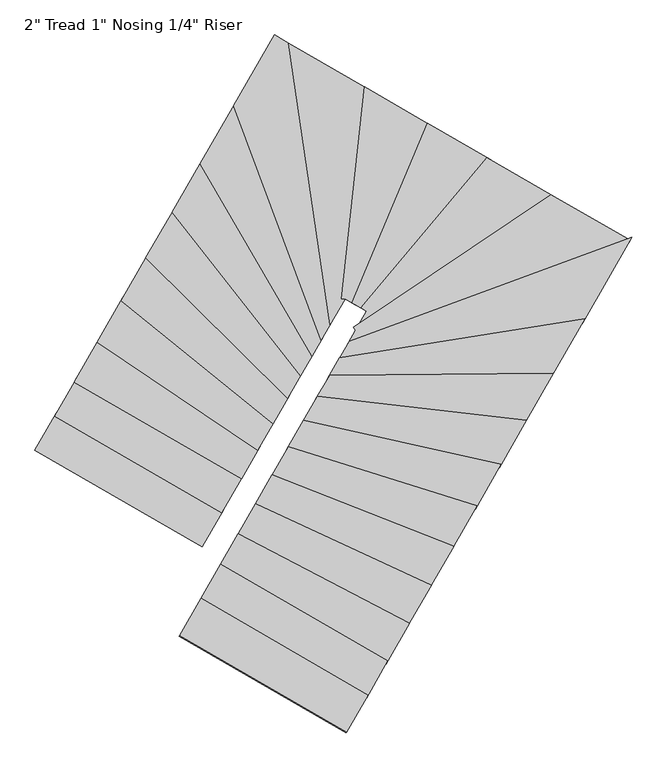
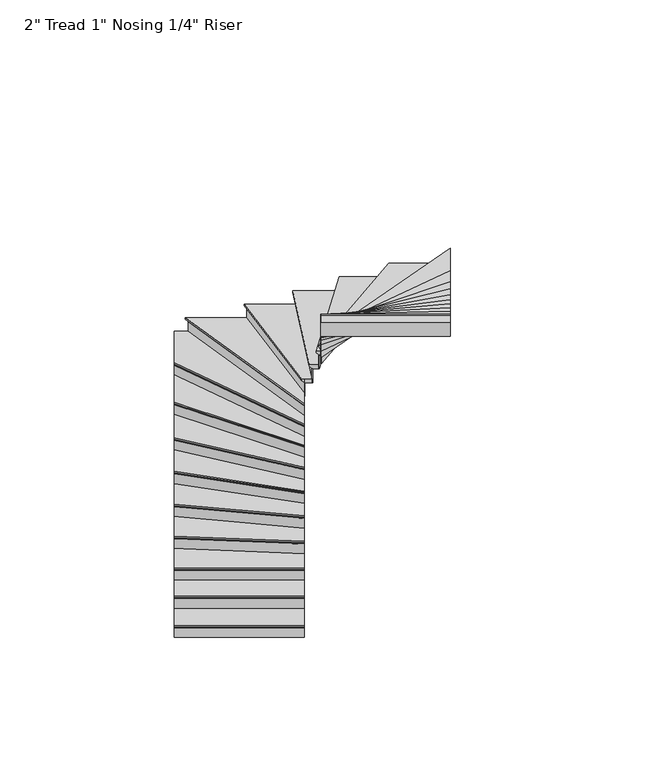
"""IFC4 building model written with IfcOpenShell, lengths in millimetres: stair flight geometry."""

from ifc_helpers import new_model, si_unit, origin, place, context, project, spatial, faceted_brep, source, transform, mapped, element, save


def stair_flight_432bfe28(model_context):
    return source(origin(), model_context, "Body", "Brep", [
        faceted_brep([(55483.3110526, -118094.4424169, 16920.7961538), (55483.3110526, -118094.4424169, 16939.8461538), (54295.3554538, -117408.8419097, 16939.8461538), (54295.3554538, -117408.8419097, 16920.7961538), (55496.0073583, -118072.4432391, 16895.3961538), (54308.0517595, -117386.8427319, 16895.3961538), (55635.6667208, -117830.4522838, 16939.8461538), (54447.7111221, -117144.8517766, 16939.8461538), (54308.0517595, -117386.8427319, 16889.0461538), (54447.7111221, -117144.8517766, 16889.0461538), (55635.6667208, -117830.4522838, 16889.0461538), (55496.0073583, -118072.4432391, 16889.0461538)], [[[0, 1, 2, 3]], [[4, 0, 3, 5]], [[2, 1, 6, 7]], [[8, 9, 10, 11]], [[2, 7, 9, 8, 5, 3]], [[8, 11, 4, 5]], [[6, 1, 0, 4, 11, 10]], [[7, 6, 10, 9]]]),
        faceted_brep([(55496.0073583, -118072.4432391, 16889.0461538), (55496.0073583, -118072.4432391, 16764.0), (55499.1814347, -118066.9434447, 16764.0), (55499.1814347, -118066.9434447, 16889.0461538), (54308.0517595, -117386.8427319, 16889.0461538), (54311.2258359, -117381.3429375, 16889.0461538), (54311.2258359, -117381.3429375, 16764.0), (54308.0517595, -117386.8427319, 16764.0)], [[[0, 1, 2, 3]], [[4, 5, 6, 7]], [[1, 0, 4, 7]], [[2, 1, 7, 6]], [[3, 2, 6, 5]], [[0, 3, 5, 4]]]),
        faceted_brep([(55635.6667208, -117830.4522838, 17064.8923077), (55635.6667208, -117830.4522838, 16889.0461538), (55638.8407972, -117824.9524894, 16889.0461538), (55638.8407972, -117824.9524894, 17064.8923077), (54447.7111221, -117144.8517766, 17064.8923077), (54450.8851985, -117139.3519822, 17064.8923077), (54450.8851985, -117139.3519822, 16889.0461538), (54447.7111221, -117144.8517766, 16889.0461538)], [[[0, 1, 2, 3]], [[4, 5, 6, 7]], [[1, 0, 4, 7]], [[2, 1, 7, 6]], [[3, 2, 6, 5]], [[0, 3, 5, 4]]]),
        faceted_brep([(54435.0148164, -117166.8509544, 17115.6923077), (55622.9704151, -117852.4514616, 17115.6923077), (55775.3260834, -117588.4613285, 17115.6923077), (54587.3704847, -116902.8608213, 17115.6923077), (54447.7111221, -117144.8517766, 17064.8923077), (54587.3704847, -116902.8608213, 17064.8923077), (55775.3260834, -117588.4613285, 17064.8923077), (55635.6667208, -117830.4522838, 17064.8923077), (54447.7111221, -117144.8517766, 17071.2423077), (54435.0148164, -117166.8509544, 17096.6423077), (55635.6667208, -117830.4522838, 17071.2423077), (55622.9704151, -117852.4514616, 17096.6423077)], [[[0, 1, 2, 3]], [[4, 5, 6, 7]], [[0, 3, 5, 4, 8, 9]], [[4, 7, 10, 8]], [[2, 1, 11, 10, 7, 6]], [[3, 2, 6, 5]], [[11, 1, 0, 9]], [[10, 11, 9, 8]]]),
        faceted_brep([(55775.3260834, -117588.4613285, 17240.7384615), (55775.3260834, -117588.4613285, 17064.8923077), (55778.5001598, -117582.9615341, 17064.8923077), (55778.5001598, -117582.9615341, 17240.7384615), (54587.3704847, -116902.8608213, 17240.7384615), (54590.5445611, -116897.3610269, 17240.7384615), (54590.5445611, -116897.3610269, 17064.8923077), (54587.3704847, -116902.8608213, 17064.8923077)], [[[0, 1, 2, 3]], [[4, 5, 6, 7]], [[1, 0, 4, 7]], [[2, 1, 7, 6]], [[3, 2, 6, 5]], [[0, 3, 5, 4]]]),
        faceted_brep([(54574.674179, -116924.8599991, 17291.5384615), (55762.6297777, -117610.4605063, 17291.5384615), (55890.6801358, -117388.5847372, 17291.5384615), (54751.3990709, -116618.6447577, 17291.5384615), (54587.3704847, -116902.8608213, 17240.7384615), (54751.3990709, -116618.6447577, 17240.7384615), (55890.6801358, -117388.5847372, 17240.7384615), (55775.3260834, -117588.4613285, 17240.7384615), (54587.3704847, -116902.8608213, 17247.0884615), (54574.674179, -116924.8599991, 17272.4884615), (55775.3260834, -117588.4613285, 17247.0884615), (55762.6297777, -117610.4605063, 17272.4884615)], [[[0, 1, 2, 3]], [[4, 5, 6, 7]], [[0, 3, 5, 4, 8, 9]], [[4, 7, 10, 8]], [[2, 1, 11, 10, 7, 6]], [[3, 2, 6, 5]], [[11, 1, 0, 9]], [[10, 11, 9, 8]]]),
        faceted_brep([(55890.6801358, -117388.5847372, 17416.5846154), (55890.6801358, -117388.5847372, 17240.7384615), (55893.8622014, -117383.0710997, 17240.7384615), (55893.8622014, -117383.0710997, 17416.5846154), (54751.3990709, -116618.6447577, 17416.5846154), (54754.5811365, -116613.1311202, 17416.5846154), (54754.5811365, -116613.1311202, 17240.7384615), (54751.3990709, -116618.6447577, 17240.7384615)], [[[0, 1, 2, 3]], [[4, 5, 6, 7]], [[1, 0, 4, 7]], [[2, 1, 7, 6]], [[3, 2, 6, 5]], [[0, 3, 5, 4]]]),
        faceted_brep([(54738.6708085, -116640.6993076, 17467.3846154), (55877.9518734, -117410.6392871, 17467.3846154), (56000.9924459, -117197.4440874, 17467.3846154), (54920.6524828, -116325.3755198, 17467.3846154), (54751.3990709, -116618.6447577, 17416.5846154), (54920.6524828, -116325.3755198, 17416.5846154), (56000.9924459, -117197.4440874, 17416.5846154), (55890.6801358, -117388.5847372, 17416.5846154), (54751.3990709, -116618.6447577, 17422.9346154), (54738.6708085, -116640.6993076, 17448.3346154), (55890.6801358, -117388.5847372, 17422.9346154), (55877.9518734, -117410.6392871, 17448.3346154)], [[[0, 1, 2, 3]], [[4, 5, 6, 7]], [[0, 3, 5, 4, 8, 9]], [[4, 7, 10, 8]], [[2, 1, 11, 10, 7, 6]], [[3, 2, 6, 5]], [[11, 1, 0, 9]], [[10, 11, 9, 8]]]),
        faceted_brep([(56000.9924459, -117197.4440874, 17592.4307692), (56000.9924459, -117197.4440874, 17416.5846154), (56004.2053861, -117191.8769528, 17416.5846154), (56004.2053861, -117191.8769528, 17592.4307692), (54920.6524828, -116325.3755198, 17592.4307692), (54923.865423, -116319.8083852, 17592.4307692), (54923.865423, -116319.8083852, 17416.5846154), (54920.6524828, -116325.3755198, 17416.5846154)], [[[0, 1, 2, 3]], [[4, 5, 6, 7]], [[1, 0, 4, 7]], [[2, 1, 7, 6]], [[3, 2, 6, 5]], [[0, 3, 5, 4]]]),
        faceted_brep([(54907.8007219, -116347.6440583, 17643.2307692), (55988.1406851, -117219.7126259, 17643.2307692), (56104.509378, -117018.0779439, 17643.2307692), (55097.0082074, -116019.7999431, 17643.2307692), (54920.6524828, -116325.3755198, 17592.4307692), (55097.0082074, -116019.7999431, 17592.4307692), (56104.509378, -117018.0779439, 17592.4307692), (56000.9924459, -117197.4440874, 17592.4307692), (54920.6524828, -116325.3755198, 17598.7807692), (54907.8007219, -116347.6440583, 17624.1807692), (56000.9924459, -117197.4440874, 17598.7807692), (55988.1406851, -117219.7126259, 17624.1807692)], [[[0, 1, 2, 3]], [[4, 5, 6, 7]], [[0, 3, 5, 4, 8, 9]], [[4, 7, 10, 8]], [[2, 1, 11, 10, 7, 6]], [[3, 2, 6, 5]], [[11, 1, 0, 9]], [[10, 11, 9, 8]]]),
        faceted_brep([(56104.509378, -117018.0779439, 17768.2769231), (56104.509378, -117018.0779439, 17592.4307692), (56107.7915596, -117012.390833, 17592.4307692), (56107.7915596, -117012.390833, 17768.2769231), (55097.0082074, -116019.7999431, 17768.2769231), (55100.290389, -116014.1128323, 17768.2769231), (55100.290389, -116014.1128323, 17592.4307692), (55097.0082074, -116019.7999431, 17592.4307692)], [[[0, 1, 2, 3]], [[4, 5, 6, 7]], [[1, 0, 4, 7]], [[2, 1, 7, 6]], [[3, 2, 6, 5]], [[0, 3, 5, 4]]]),
        faceted_brep([(55083.8794808, -116042.5483864, 17819.0769231), (56091.3806514, -117040.8263872, 17819.0769231), (56198.549806, -116855.1319544, 17819.0769231), (55283.3574622, -115696.9083492, 17819.0769231), (55097.0082074, -116019.7999431, 17768.2769231), (55283.3574622, -115696.9083492, 17768.2769231), (56198.549806, -116855.1319544, 17768.2769231), (56104.509378, -117018.0779439, 17768.2769231), (55097.0082074, -116019.7999431, 17774.6269231), (55083.8794808, -116042.5483864, 17800.0269231), (56104.509378, -117018.0779439, 17774.6269231), (56091.3806514, -117040.8263872, 17800.0269231)], [[[0, 1, 2, 3]], [[4, 5, 6, 7]], [[0, 3, 5, 4, 8, 9]], [[4, 7, 10, 8]], [[2, 1, 11, 10, 7, 6]], [[3, 2, 6, 5]], [[11, 1, 0, 9]], [[10, 11, 9, 8]]]),
        faceted_brep([(56198.549806, -116855.1319544, 17944.1230769), (56198.549806, -116855.1319544, 17768.2769231), (56201.9658574, -116849.2128845, 17768.2769231), (56201.9658574, -116849.2128845, 17944.1230769), (55283.3574622, -115696.9083492, 17944.1230769), (55286.7735135, -115690.9892793, 17944.1230769), (55286.7735135, -115690.9892793, 17768.2769231), (55283.3574622, -115696.9083492, 17768.2769231)], [[[0, 1, 2, 3]], [[4, 5, 6, 7]], [[1, 0, 4, 7]], [[2, 1, 7, 6]], [[3, 2, 6, 5]], [[0, 3, 5, 4]]]),
        faceted_brep([(55269.6932567, -115720.5846289, 17994.9230769), (56184.8856006, -116878.8082341, 17994.9230769), (56278.789449, -116716.0988994, 17994.9230769), (55484.3868905, -115348.5800845, 17994.9230769), (55283.3574622, -115696.9083492, 17944.1230769), (55484.3868905, -115348.5800845, 17944.1230769), (56278.789449, -116716.0988994, 17944.1230769), (56198.549806, -116855.1319544, 17944.1230769), (55283.3574622, -115696.9083492, 17950.4730769), (55269.6932567, -115720.5846289, 17975.8730769), (56198.549806, -116855.1319544, 17950.4730769), (56184.8856006, -116878.8082341, 17975.8730769)], [[[0, 1, 2, 3]], [[4, 5, 6, 7]], [[0, 3, 5, 4, 8, 9]], [[4, 7, 10, 8]], [[2, 1, 11, 10, 7, 6]], [[3, 2, 6, 5]], [[11, 1, 0, 9]], [[10, 11, 9, 8]]]),
        faceted_brep([(56278.789449, -116716.0988994, 18119.9692308), (56278.789449, -116716.0988994, 17944.1230769), (56282.4492936, -116709.7574033, 17944.1230769), (56282.4492936, -116709.7574033, 18119.9692308), (55484.3868905, -115348.5800845, 18119.9692308), (55488.0467351, -115342.2385885, 18119.9692308), (55488.0467351, -115342.2385885, 17944.1230769), (55484.3868905, -115348.5800845, 17944.1230769)], [[[0, 1, 2, 3]], [[4, 5, 6, 7]], [[1, 0, 4, 7]], [[2, 1, 7, 6]], [[3, 2, 6, 5]], [[0, 3, 5, 4]]]),
        faceted_brep([(55469.747512, -115373.9460688, 18170.7692308), (56264.1500704, -116741.4648836, 18170.7692308), (56345.5625152, -116600.3996882, 18170.7692308), (55723.7276855, -114933.8688432, 18170.7692308), (55484.3868905, -115348.5800845, 18119.9692308), (55723.7276855, -114933.8688432, 18119.9692308), (56345.5625152, -116600.3996882, 18119.9692308), (56278.789449, -116716.0988994, 18119.9692308), (55484.3868905, -115348.5800845, 18126.3192308), (55469.747512, -115373.9460688, 18151.7192308), (56278.789449, -116716.0988994, 18126.3192308), (56264.1500704, -116741.4648836, 18151.7192308)], [[[0, 1, 2, 3]], [[4, 5, 6, 7]], [[0, 3, 5, 4, 8, 9]], [[4, 7, 10, 8]], [[2, 1, 11, 10, 7, 6]], [[3, 2, 6, 5]], [[11, 1, 0, 9]], [[10, 11, 9, 8]]]),
        faceted_brep([(56345.5625152, -116600.3996882, 18295.8153846), (56345.5625152, -116600.3996882, 18119.9692308), (56349.6788281, -116593.2672591, 18119.9692308), (56349.6788281, -116593.2672591, 18295.8153846), (55723.7276855, -114933.8688432, 18295.8153846), (55727.8439985, -114926.736414, 18295.8153846), (55727.8439985, -114926.736414, 18119.9692308), (55723.7276855, -114933.8688432, 18119.9692308)], [[[0, 1, 2, 3]], [[4, 5, 6, 7]], [[1, 0, 4, 7]], [[2, 1, 7, 6]], [[3, 2, 6, 5]], [[0, 3, 5, 4]]]),
        faceted_brep([(56127.1982329, -114535.1385758, 18346.6153846), (55997.1584277, -114460.0891745, 18346.6153846), (55707.2624336, -114962.3985598, 18346.6153846), (56329.0972633, -116628.9294049, 18346.6153846), (56413.1773754, -116483.2418815, 18346.6153846), (55997.1584277, -114460.0891745, 18295.8153846), (56127.1982329, -114535.1385758, 18295.8153846), (56413.1773754, -116483.2418815, 18295.8153846), (56345.5625152, -116600.3996882, 18295.8153846), (55723.7276855, -114933.8688432, 18295.8153846), (56345.5625152, -116600.3996882, 18302.1653846), (55723.7276855, -114933.8688432, 18302.1653846), (56329.0972633, -116628.9294049, 18327.5653846), (55707.2624336, -114962.3985598, 18327.5653846)], [[[0, 1, 2, 3, 4]], [[5, 6, 7, 8, 9]], [[1, 0, 6, 5]], [[9, 8, 10, 11]], [[4, 3, 12, 10, 8, 7]], [[0, 4, 7, 6]], [[12, 3, 2, 13]], [[10, 12, 13, 11]], [[2, 1, 5, 9, 11, 13]]]),
        faceted_brep([(56413.1773754, -116483.2418815, 18471.6615385), (56413.1773754, -116483.2418815, 18295.8153846), (56418.2939673, -116474.3762462, 18295.8153846), (56418.2939673, -116474.3762462, 18471.6615385), (56127.1982329, -114535.1385758, 18471.6615385), (56134.2103671, -114539.1854634, 18471.6615385), (56134.2103671, -114539.1854634, 18295.8153846), (56127.1982329, -114535.1385758, 18295.8153846)], [[[0, 1, 2, 3]], [[4, 5, 6, 7]], [[1, 0, 4, 7]], [[2, 1, 7, 6]], [[3, 2, 6, 5]], [[0, 3, 5, 4]]]),
        faceted_brep([(56099.149696, -114518.9510254, 18522.4615385), (56392.7110076, -116518.7044225, 18522.4615385), (56498.6326324, -116335.1716132, 18522.4615385), (56660.5784854, -114842.9663868, 18522.4615385), (56127.1982329, -114535.1385758, 18471.6615385), (56660.5784854, -114842.9663868, 18471.6615385), (56498.6326324, -116335.1716132, 18471.6615385), (56413.1773754, -116483.2418815, 18471.6615385), (56127.1982329, -114535.1385758, 18478.0115385), (56099.149696, -114518.9510254, 18503.4115385), (56413.1773754, -116483.2418815, 18478.0115385), (56392.7110076, -116518.7044225, 18503.4115385)], [[[0, 1, 2, 3]], [[4, 5, 6, 7]], [[0, 3, 5, 4, 8, 9]], [[4, 7, 10, 8]], [[2, 1, 11, 10, 7, 6]], [[3, 2, 6, 5]], [[11, 1, 0, 9]], [[10, 11, 9, 8]]]),
        faceted_brep([(56498.6326324, -116335.1716132, 18647.5076923), (56498.6326324, -116335.1716132, 18471.6615385), (56504.9455634, -116335.8567421, 18471.6615385), (56504.9455634, -116335.8567421, 18647.5076923), (56660.5784854, -114842.9663868, 18647.5076923), (56666.5892895, -114846.4353804, 18647.5076923), (56666.5892895, -114846.4353804, 18471.6615385), (56660.5784854, -114842.9663868, 18471.6615385)], [[[0, 1, 2, 3]], [[4, 5, 6, 7]], [[1, 0, 4, 7]], [[2, 1, 7, 6]], [[3, 2, 6, 5]], [[0, 3, 5, 4]]]),
        faceted_brep([(56636.5352688, -114829.0904124, 18698.3076923), (56473.3809082, -116332.4310974, 18698.3076923), (56498.6326324, -116335.1716132, 18698.3076923), (56499.5135193, -116333.6452804, 18698.3076923), (56571.8409572, -116375.3873524, 18698.3076923), (57105.7801082, -115099.9039851, 18698.3076923), (56660.5784854, -114842.9663868, 18647.5076923), (57105.7801082, -115099.9039851, 18647.5076923), (56571.8409572, -116375.3873524, 18647.5076923), (56499.5135193, -116333.6452804, 18647.5076923), (56498.6326324, -116335.1716132, 18647.5076923), (56660.5784854, -114842.9663868, 18653.8576923), (56636.5352688, -114829.0904124, 18679.2576923), (56498.6326324, -116335.1716132, 18653.8576923), (56473.3809082, -116332.4310974, 18679.2576923)], [[[0, 1, 2, 3, 4, 5]], [[6, 7, 8, 9, 10]], [[0, 5, 7, 6, 11, 12]], [[6, 10, 13, 11]], [[3, 2, 13, 10, 9]], [[4, 3, 9, 8]], [[5, 4, 8, 7]], [[14, 1, 0, 12]], [[13, 14, 12, 11]], [[1, 14, 13, 2]]]),
        faceted_brep([(56571.8409572, -116375.3873524, 18823.3538462), (56571.8409572, -116375.3873524, 18647.5076923), (56577.3853899, -116378.5871907, 18647.5076923), (56577.3853899, -116378.5871907, 18823.3538462), (57105.7801082, -115099.9039851, 18823.3538462), (57111.3245409, -115103.1038234, 18823.3538462), (57111.3245409, -115103.1038234, 18647.5076923), (57105.7801082, -115099.9039851, 18647.5076923)], [[[0, 1, 2, 3]], [[4, 5, 6, 7]], [[1, 0, 4, 7]], [[2, 1, 7, 6]], [[3, 2, 6, 5]], [[0, 3, 5, 4]]]),
        faceted_brep([(57083.6023775, -115087.1046318, 18874.1538462), (56549.6632265, -116362.5879991, 18874.1538462), (56634.3598376, -116411.4686472, 18874.1538462), (57528.8643257, -115344.0770455, 18874.1538462), (57105.7801082, -115099.9039851, 18823.3538462), (57528.8643257, -115344.0770455, 18823.3538462), (56634.3598376, -116411.4686472, 18823.3538462), (56571.8409572, -116375.3873524, 18823.3538462), (57105.7801082, -115099.9039851, 18829.7038462), (57083.6023775, -115087.1046318, 18855.1038462), (56571.8409572, -116375.3873524, 18829.7038462), (56549.6632265, -116362.5879991, 18855.1038462)], [[[0, 1, 2, 3]], [[4, 5, 6, 7]], [[0, 3, 5, 4, 8, 9]], [[4, 7, 10, 8]], [[3, 2, 6, 5]], [[11, 1, 0, 9]], [[10, 11, 9, 8]], [[2, 1, 11, 10, 7, 6]]]),
        faceted_brep([(56634.3598376, -116411.4686472, 18999.2), (56634.3598376, -116411.4686472, 18823.3538462), (56639.9440219, -116414.6914272, 18823.3538462), (56639.9440219, -116414.6914272, 18999.2), (57528.8643257, -115344.0770455, 18999.2), (57534.44851, -115347.2998255, 18999.2), (57534.44851, -115347.2998255, 18823.3538462), (57528.8643257, -115344.0770455, 18823.3538462)], [[[0, 1, 2, 3]], [[4, 5, 6, 7]], [[1, 0, 4, 7]], [[2, 1, 7, 6]], [[3, 2, 6, 5]], [[0, 3, 5, 4]]]),
        faceted_brep([(57506.5275886, -115331.1859254, 19050.0), (56612.0231004, -116398.577527, 19050.0), (56652.4189133, -116421.891016, 19050.0), (56575.4284532, -116555.294138, 19050.0), (57985.3178432, -115607.508409, 19050.0), (57528.8643257, -115344.0770455, 18999.2), (57985.3178432, -115607.508409, 18999.2), (56575.4284532, -116555.294138, 18999.2), (56652.4189133, -116421.891016, 18999.2), (56634.3598376, -116411.4686472, 18999.2), (57528.8643257, -115344.0770455, 19005.55), (57506.5275886, -115331.1859254, 19030.95), (56634.3598376, -116411.4686472, 19005.55), (56612.0231004, -116398.577527, 19030.95)], [[[0, 1, 2, 3, 4]], [[5, 6, 7, 8, 9]], [[0, 4, 6, 5, 10, 11]], [[5, 9, 12, 10]], [[2, 1, 13, 12, 9, 8]], [[4, 3, 7, 6]], [[13, 1, 0, 11]], [[12, 13, 11, 10]], [[3, 2, 8, 7]]]),
        faceted_brep([(56575.4284532, -116555.294138, 19175.0461538), (56575.4284532, -116555.294138, 18999.2), (56578.9711115, -116560.5640595, 18999.2), (56578.9711115, -116560.5640595, 19175.0461538), (57985.3178432, -115607.508409, 19175.0461538), (57991.4420956, -115611.0428765, 19175.0461538), (57991.4420956, -115611.0428765, 18999.2), (57985.3178432, -115607.508409, 18999.2)], [[[0, 1, 2, 3]], [[4, 5, 6, 7]], [[1, 0, 4, 7]], [[2, 1, 7, 6]], [[3, 2, 6, 5]], [[0, 3, 5, 4]]]),
        faceted_brep([(58518.7914816, -115931.9830035, 19225.8461538), (58525.9750192, -115919.5359245, 19225.8461538), (57960.8208337, -115593.3705387, 19225.8461538), (56561.25782, -116534.2144522, 19225.8461538), (56575.4284532, -116555.294138, 19225.8461538), (56509.6610007, -116669.2508994, 19225.8461538), (58525.9750192, -115919.5359245, 19175.0461538), (58518.7914816, -115931.9830035, 19175.0461538), (56509.6610007, -116669.2508994, 19175.0461538), (56575.4284532, -116555.294138, 19175.0461538), (57985.3178432, -115607.508409, 19175.0461538), (56575.4284532, -116555.294138, 19181.3961538), (57985.3178432, -115607.508409, 19181.3961538), (56561.25782, -116534.2144522, 19206.7961538), (57960.8208337, -115593.3705387, 19206.7961538)], [[[0, 1, 2, 3, 4, 5]], [[6, 7, 8, 9, 10]], [[1, 0, 7, 6]], [[10, 9, 11, 12]], [[5, 4, 11, 9, 8]], [[0, 5, 8, 7]], [[13, 3, 2, 14]], [[11, 13, 14, 12]], [[3, 13, 11, 4]], [[2, 1, 6, 10, 12, 14]]]),
        faceted_brep([(56509.6610007, -116669.2508994, 19350.8923077), (56509.6610007, -116669.2508994, 19175.0461538), (56504.7084302, -116677.832331, 19175.0461538), (56504.7084302, -116677.832331, 19350.8923077), (58518.7914816, -115931.9830035, 19350.8923077), (58513.8389111, -115940.5644351, 19350.8923077), (58513.8389111, -115940.5644351, 19175.0461538), (58518.7914816, -115931.9830035, 19175.0461538)], [[[0, 1, 2, 3]], [[4, 5, 6, 7]], [[1, 0, 4, 7]], [[2, 1, 7, 6]], [[3, 2, 6, 5]], [[0, 3, 5, 4]]]),
        faceted_brep([(58538.6017635, -115897.6572772, 19401.6923077), (56529.4712826, -116634.9251731, 19401.6923077), (56444.5185758, -116782.1246613, 19401.6923077), (58188.8462907, -116503.6865433, 19401.6923077), (58518.7914816, -115931.9830035, 19350.8923077), (58188.8462907, -116503.6865433, 19350.8923077), (56444.5185758, -116782.1246613, 19350.8923077), (56509.6610007, -116669.2508994, 19350.8923077), (58518.7914816, -115931.9830035, 19357.2423077), (58538.6017635, -115897.6572772, 19382.6423077), (56509.6610007, -116669.2508994, 19357.2423077), (56529.4712826, -116634.9251731, 19382.6423077)], [[[0, 1, 2, 3]], [[4, 5, 6, 7]], [[0, 3, 5, 4, 8, 9]], [[4, 7, 10, 8]], [[2, 1, 11, 10, 7, 6]], [[3, 2, 6, 5]], [[11, 1, 0, 9]], [[10, 11, 9, 8]]]),
        faceted_brep([(56444.5185758, -116782.1246613, 19526.7384615), (56444.5185758, -116782.1246613, 19350.8923077), (56440.4308514, -116789.2075543, 19350.8923077), (56440.4308514, -116789.2075543, 19526.7384615), (58188.8462907, -116503.6865433, 19526.7384615), (58184.7585663, -116510.7694363, 19526.7384615), (58184.7585663, -116510.7694363, 19350.8923077), (58188.8462907, -116503.6865433, 19350.8923077)], [[[0, 1, 2, 3]], [[4, 5, 6, 7]], [[1, 0, 4, 7]], [[2, 1, 7, 6]], [[3, 2, 6, 5]], [[0, 3, 5, 4]]]),
        faceted_brep([(58205.1971881, -116475.3549712, 19577.5384615), (56460.8694732, -116753.7930892, 19577.5384615), (56376.1510211, -116900.5866789, 19577.5384615), (57966.7396718, -116888.5357354, 19577.5384615), (58188.8462907, -116503.6865433, 19526.7384615), (57966.7396718, -116888.5357354, 19526.7384615), (56376.1510211, -116900.5866789, 19526.7384615), (56444.5185758, -116782.1246613, 19526.7384615), (58188.8462907, -116503.6865433, 19533.0884615), (58205.1971881, -116475.3549712, 19558.4884615), (56444.5185758, -116782.1246613, 19533.0884615), (56460.8694732, -116753.7930892, 19558.4884615)], [[[0, 1, 2, 3]], [[4, 5, 6, 7]], [[0, 3, 5, 4, 8, 9]], [[4, 7, 10, 8]], [[2, 1, 11, 10, 7, 6]], [[3, 2, 6, 5]], [[11, 1, 0, 9]], [[10, 11, 9, 8]]]),
        faceted_brep([(56376.1510211, -116900.5866789, 19702.5846154), (56376.1510211, -116900.5866789, 19526.7384615), (56372.4700683, -116906.9647496, 19526.7384615), (56372.4700683, -116906.9647496, 19702.5846154), (57966.7396718, -116888.5357354, 19702.5846154), (57963.0587191, -116894.9138061, 19702.5846154), (57963.0587191, -116894.9138061, 19526.7384615), (57966.7396718, -116888.5357354, 19526.7384615)], [[[0, 1, 2, 3]], [[4, 5, 6, 7]], [[1, 0, 4, 7]], [[2, 1, 7, 6]], [[3, 2, 6, 5]], [[0, 3, 5, 4]]]),
        faceted_brep([(57981.463483, -116863.0234529, 19753.3846154), (56390.8748322, -116875.0743964, 19753.3846154), (56290.9193651, -117048.2695086, 19753.3846154), (57774.4483697, -117221.7232499, 19753.3846154), (57966.7396718, -116888.5357354, 19702.5846154), (57774.4483697, -117221.7232499, 19702.5846154), (56290.9193651, -117048.2695086, 19702.5846154), (56376.1510211, -116900.5866789, 19702.5846154), (57966.7396718, -116888.5357354, 19708.9346154), (57981.463483, -116863.0234529, 19734.3346154), (56376.1510211, -116900.5866789, 19708.9346154), (56390.8748322, -116875.0743964, 19734.3346154)], [[[0, 1, 2, 3]], [[4, 5, 6, 7]], [[0, 3, 5, 4, 8, 9]], [[4, 7, 10, 8]], [[2, 1, 11, 10, 7, 6]], [[3, 2, 6, 5]], [[11, 1, 0, 9]], [[10, 11, 9, 8]]]),
        faceted_brep([(56290.9193651, -117048.2695086, 19878.4307692), (56290.9193651, -117048.2695086, 19702.5846154), (56287.4628832, -117054.2586334, 19702.5846154), (56287.4628832, -117054.2586334, 19878.4307692), (57774.4483697, -117221.7232499, 19878.4307692), (57770.9918878, -117227.7123748, 19878.4307692), (57770.9918878, -117227.7123748, 19702.5846154), (57774.4483697, -117221.7232499, 19702.5846154)], [[[0, 1, 2, 3]], [[4, 5, 6, 7]], [[1, 0, 4, 7]], [[2, 1, 7, 6]], [[3, 2, 6, 5]], [[0, 3, 5, 4]]]),
        faceted_brep([(57788.2742973, -117197.7667506, 19929.2307692), (56304.7452927, -117024.3130093, 19929.2307692), (56191.8685282, -117219.8971475, 19929.2307692), (57595.2160841, -117532.2831094, 19929.2307692), (57774.4483697, -117221.7232499, 19878.4307692), (57595.2160841, -117532.2831094, 19878.4307692), (56191.8685282, -117219.8971475, 19878.4307692), (56290.9193651, -117048.2695086, 19878.4307692), (57774.4483697, -117221.7232499, 19884.7807692), (57788.2742973, -117197.7667506, 19910.1807692), (56290.9193651, -117048.2695086, 19884.7807692), (56304.7452927, -117024.3130093, 19910.1807692)], [[[0, 1, 2, 3]], [[4, 5, 6, 7]], [[0, 3, 5, 4, 8, 9]], [[4, 7, 10, 8]], [[2, 1, 11, 10, 7, 6]], [[3, 2, 6, 5]], [[11, 1, 0, 9]], [[10, 11, 9, 8]]]),
        faceted_brep([(56191.8685282, -117219.8971475, 20054.2769231), (56191.8685282, -117219.8971475, 19878.4307692), (56188.5414966, -117225.6619707, 19878.4307692), (56188.5414966, -117225.6619707, 20054.2769231), (57595.2160841, -117532.2831094, 20054.2769231), (57591.8890526, -117538.0479327, 20054.2769231), (57591.8890526, -117538.0479327, 19878.4307692), (57595.2160841, -117532.2831094, 19878.4307692)], [[[0, 1, 2, 3]], [[4, 5, 6, 7]], [[1, 0, 4, 7]], [[2, 1, 7, 6]], [[3, 2, 6, 5]], [[0, 3, 5, 4]]]),
        faceted_brep([(57608.5242104, -117509.2238162, 20105.0769231), (56205.1766544, -117196.8378543, 20105.0769231), (56083.6564667, -117407.3986486, 20105.0769231), (57424.7076798, -117827.7269013, 20105.0769231), (57595.2160841, -117532.2831094, 20054.2769231), (57424.7076798, -117827.7269013, 20054.2769231), (56083.6564667, -117407.3986486, 20054.2769231), (56191.8685282, -117219.8971475, 20054.2769231), (57595.2160841, -117532.2831094, 20060.6269231), (57608.5242104, -117509.2238162, 20086.0269231), (56191.8685282, -117219.8971475, 20060.6269231), (56205.1766544, -117196.8378543, 20086.0269231)], [[[0, 1, 2, 3]], [[4, 5, 6, 7]], [[0, 3, 5, 4, 8, 9]], [[4, 7, 10, 8]], [[2, 1, 11, 10, 7, 6]], [[3, 2, 6, 5]], [[11, 1, 0, 9]], [[10, 11, 9, 8]]]),
        faceted_brep([(56083.6564667, -117407.3986486, 20230.1230769), (56083.6564667, -117407.3986486, 20054.2769231), (56080.4042175, -117413.0338947, 20054.2769231), (56080.4042175, -117413.0338947, 20230.1230769), (57424.7076798, -117827.7269013, 20230.1230769), (57421.4554306, -117833.3621474, 20230.1230769), (57421.4554306, -117833.3621474, 20054.2769231), (57424.7076798, -117827.7269013, 20054.2769231)], [[[0, 1, 2, 3]], [[4, 5, 6, 7]], [[1, 0, 4, 7]], [[2, 1, 7, 6]], [[3, 2, 6, 5]], [[0, 3, 5, 4]]]),
        faceted_brep([(57437.7166764, -117805.1859169, 20280.9230769), (56096.6654633, -117384.8576642, 20280.9230769), (55969.0639488, -117605.9557118, 20280.9230769), (57260.3202403, -118112.5647581, 20280.9230769), (57424.7076798, -117827.7269013, 20230.1230769), (57260.3202403, -118112.5647581, 20230.1230769), (55969.0639488, -117605.9557118, 20230.1230769), (56083.6564667, -117407.3986486, 20230.1230769), (57424.7076798, -117827.7269013, 20236.4730769), (57437.7166764, -117805.1859169, 20261.8730769), (56083.6564667, -117407.3986486, 20236.4730769), (56096.6654633, -117384.8576642, 20261.8730769)], [[[0, 1, 2, 3]], [[4, 5, 6, 7]], [[0, 3, 5, 4, 8, 9]], [[4, 7, 10, 8]], [[2, 1, 11, 10, 7, 6]], [[3, 2, 6, 5]], [[11, 1, 0, 9]], [[10, 11, 9, 8]]]),
        faceted_brep([(55969.0639488, -117605.9557118, 20405.9692308), (55969.0639488, -117605.9557118, 20230.1230769), (55965.8540456, -117611.517584, 20230.1230769), (55965.8540456, -117611.517584, 20405.9692308), (57260.3202403, -118112.5647581, 20405.9692308), (57257.1103371, -118118.1266303, 20405.9692308), (57257.1103371, -118118.1266303, 20230.1230769), (57260.3202403, -118112.5647581, 20230.1230769)], [[[0, 1, 2, 3]], [[4, 5, 6, 7]], [[1, 0, 4, 7]], [[2, 1, 7, 6]], [[3, 2, 6, 5]], [[0, 3, 5, 4]]]),
        faceted_brep([(57273.159853, -118090.317269, 20456.7692308), (55981.9035615, -117583.7082227, 20456.7692308), (55849.8518315, -117812.5172599, 20456.7692308), (57100.3946609, -118389.6714484, 20456.7692308), (57260.3202403, -118112.5647581, 20405.9692308), (57100.3946609, -118389.6714484, 20405.9692308), (55849.8518315, -117812.5172599, 20405.9692308), (55969.0639488, -117605.9557118, 20405.9692308), (57260.3202403, -118112.5647581, 20412.3192308), (57273.159853, -118090.317269, 20437.7192308), (55969.0639488, -117605.9557118, 20412.3192308), (55981.9035615, -117583.7082227, 20437.7192308)], [[[0, 1, 2, 3]], [[4, 5, 6, 7]], [[0, 3, 5, 4, 8, 9]], [[4, 7, 10, 8]], [[2, 1, 11, 10, 7, 6]], [[3, 2, 6, 5]], [[11, 1, 0, 9]], [[10, 11, 9, 8]]]),
        faceted_brep([(55849.8518315, -117812.5172599, 20581.8153846), (55849.8518315, -117812.5172599, 20405.9692308), (55846.6645569, -117818.0399232, 20405.9692308), (55846.6645569, -117818.0399232, 20581.8153846), (57100.3946609, -118389.6714484, 20581.8153846), (57097.2073863, -118395.1941116, 20581.8153846), (57097.2073863, -118395.1941116, 20405.9692308), (57100.3946609, -118389.6714484, 20405.9692308)], [[[0, 1, 2, 3]], [[4, 5, 6, 7]], [[1, 0, 4, 7]], [[2, 1, 7, 6]], [[3, 2, 6, 5]], [[0, 3, 5, 4]]]),
        faceted_brep([(57113.1437594, -118367.5807953, 20632.6153846), (55862.60093, -117790.4266069, 20632.6153846), (55727.1885415, -118025.0587336, 20632.6153846), (56943.8226061, -118660.9674104, 20632.6153846), (57100.3946609, -118389.6714484, 20581.8153846), (56943.8226061, -118660.9674104, 20581.8153846), (55727.1885415, -118025.0587336, 20581.8153846), (55849.8518315, -117812.5172599, 20581.8153846), (57100.3946609, -118389.6714484, 20588.1653846), (57113.1437594, -118367.5807953, 20613.5653846), (55849.8518315, -117812.5172599, 20588.1653846), (55862.60093, -117790.4266069, 20613.5653846)], [[[0, 1, 2, 3]], [[4, 5, 6, 7]], [[0, 3, 5, 4, 8, 9]], [[4, 7, 10, 8]], [[2, 1, 11, 10, 7, 6]], [[3, 2, 6, 5]], [[11, 1, 0, 9]], [[10, 11, 9, 8]]]),
        faceted_brep([(55727.1885415, -118025.0587336, 20757.6615385), (55727.1885415, -118025.0587336, 20581.8153846), (55724.0116894, -118030.5633375, 20581.8153846), (55724.0116894, -118030.5633375, 20757.6615385), (56943.8226061, -118660.9674104, 20757.6615385), (56940.645754, -118666.4720143, 20757.6615385), (56940.645754, -118666.4720143, 20581.8153846), (56943.8226061, -118660.9674104, 20581.8153846)], [[[0, 1, 2, 3]], [[4, 5, 6, 7]], [[1, 0, 4, 7]], [[2, 1, 7, 6]], [[3, 2, 6, 5]], [[0, 3, 5, 4]]]),
        faceted_brep([(56956.5300144, -118638.9489948, 20808.4615385), (55739.8959498, -118003.040318, 20808.4615385), (55601.8795145, -118242.1845359, 20808.4615385), (56789.8351132, -118927.7850431, 20808.4615385), (56943.8226061, -118660.9674104, 20757.6615385), (56789.8351132, -118927.7850431, 20757.6615385), (55601.8795145, -118242.1845359, 20757.6615385), (55727.1885415, -118025.0587336, 20757.6615385), (56943.8226061, -118660.9674104, 20764.0115385), (56956.5300144, -118638.9489948, 20789.4115385), (55727.1885415, -118025.0587336, 20764.0115385), (55739.8959498, -118003.040318, 20789.4115385)], [[[0, 1, 2, 3]], [[4, 5, 6, 7]], [[0, 3, 5, 4, 8, 9]], [[4, 7, 10, 8]], [[2, 1, 11, 10, 7, 6]], [[3, 2, 6, 5]], [[11, 1, 0, 9]], [[10, 11, 9, 8]]]),
        faceted_brep([(55601.8795145, -118242.1845359, 20933.5076923), (55601.8795145, -118242.1845359, 20757.6615385), (55598.7054381, -118247.6843303, 20757.6615385), (55598.7054381, -118247.6843303, 20933.5076923), (56789.8351132, -118927.7850431, 20933.5076923), (56786.6610368, -118933.2848375, 20933.5076923), (56786.6610368, -118933.2848375, 20757.6615385), (56789.8351132, -118927.7850431, 20757.6615385)], [[[0, 1, 2, 3]], [[4, 5, 6, 7]], [[1, 0, 4, 7]], [[2, 1, 7, 6]], [[3, 2, 6, 5]], [[0, 3, 5, 4]]]),
        faceted_brep([(56802.5314189, -118905.7858653, 20984.3076923), (55614.5758202, -118220.1853581, 20984.3076923), (55462.2201519, -118484.1754912, 20984.3076923), (56650.1757506, -119169.7759984, 20984.3076923), (56789.8351132, -118927.7850431, 20933.5076923), (56650.1757506, -119169.7759984, 20933.5076923), (55462.2201519, -118484.1754912, 20933.5076923), (55601.8795145, -118242.1845359, 20933.5076923), (56789.8351132, -118927.7850431, 20939.8576923), (56802.5314189, -118905.7858653, 20965.2576923), (55601.8795145, -118242.1845359, 20939.8576923), (55614.5758202, -118220.1853581, 20965.2576923)], [[[0, 1, 2, 3]], [[4, 5, 6, 7]], [[0, 3, 5, 4, 8, 9]], [[4, 7, 10, 8]], [[2, 1, 11, 10, 7, 6]], [[3, 2, 6, 5]], [[11, 1, 0, 9]], [[10, 11, 9, 8]]]),
        faceted_brep([(55462.2201519, -118484.1754912, 21109.3538462), (55462.2201519, -118484.1754912, 20933.5076923), (55459.0460755, -118489.6752856, 20933.5076923), (55459.0460755, -118489.6752856, 21109.3538462), (56650.1757506, -119169.7759984, 21109.3538462), (56647.0016742, -119175.2757928, 21109.3538462), (56647.0016742, -119175.2757928, 20933.5076923), (56650.1757506, -119169.7759984, 20933.5076923)], [[[0, 1, 2, 3]], [[4, 5, 6, 7]], [[1, 0, 4, 7]], [[2, 1, 7, 6]], [[3, 2, 6, 5]], [[0, 3, 5, 4]]]),
        faceted_brep([(55322.5607893, -118726.1664465, 21285.2), (55322.5607893, -118726.1664465, 21109.3538462), (55319.3867129, -118731.6662409, 21109.3538462), (55319.3867129, -118731.6662409, 21285.2), (56510.5163881, -119411.7669537, 21285.2), (56507.3423116, -119417.2667481, 21285.2), (56507.3423116, -119417.2667481, 21109.3538462), (56510.5163881, -119411.7669537, 21109.3538462)], [[[0, 1, 2, 3]], [[4, 5, 6, 7]], [[1, 0, 4, 7]], [[2, 1, 7, 6]], [[3, 2, 6, 5]], [[0, 3, 5, 4]]]),
        faceted_brep([(56662.8720563, -119147.7768206, 21160.1538462), (55474.9164576, -118462.1763134, 21160.1538462), (55322.5607893, -118726.1664465, 21160.1538462), (56510.5163881, -119411.7669537, 21160.1538462), (56650.1757506, -119169.7759984, 21109.3538462), (56510.5163881, -119411.7669537, 21109.3538462), (55322.5607893, -118726.1664465, 21109.3538462), (55462.2201519, -118484.1754912, 21109.3538462), (56650.1757506, -119169.7759984, 21115.7038462), (56662.8720563, -119147.7768206, 21141.1038462), (55462.2201519, -118484.1754912, 21115.7038462), (55474.9164576, -118462.1763134, 21141.1038462)], [[[0, 1, 2, 3]], [[4, 5, 6, 7]], [[0, 3, 5, 4, 8, 9]], [[4, 7, 10, 8]], [[2, 1, 11, 10, 7, 6]], [[3, 2, 6, 5]], [[11, 1, 0, 9]], [[10, 11, 9, 8]]]),
    ])


if __name__ == "__main__":
    model = new_model("IFC4")
    model_context = context("Model", 3, world=origin())
    ifc_project = project(units=[si_unit("LENGTHUNIT", "METRE", prefix="MILLI")], contexts=[model_context])
    site = spatial("IfcSite", under=ifc_project)
    building = spatial("IfcBuilding", under=site)
    placement = place(None, origin())
    stair_flight_shape = stair_flight_432bfe28(model_context)
    element("IfcStairFlight", 1, ObjectType="2\" Tread 1\" Nosing 1/4\" Riser", at=placement, inside=building, context=model_context, shape_type="MappedRepresentation", body=[
        mapped(stair_flight_shape, transform((0.0, 0.0, 0.0), x_axis=(1.0, 0.0, 0.0), y_axis=(0.0, 1.0, 0.0), z_axis=(0.0, 0.0, 1.0))),
    ])
    save(model, "model.ifc")
